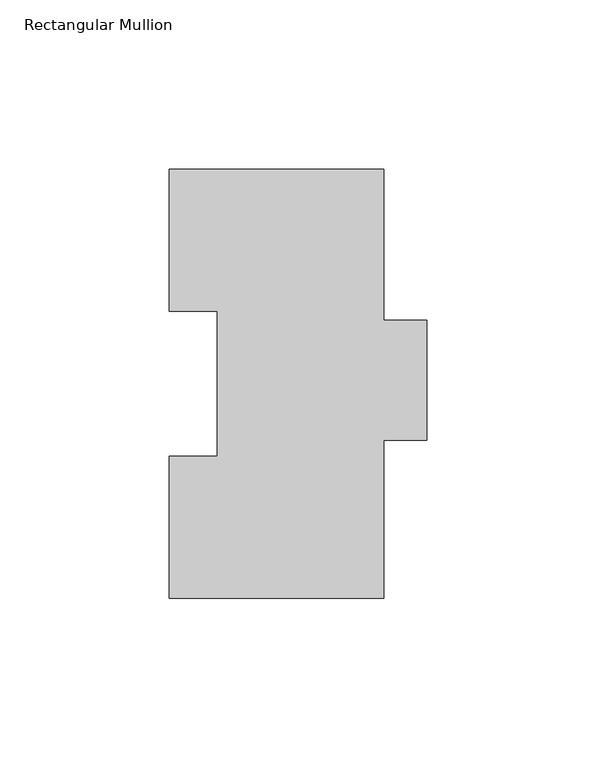
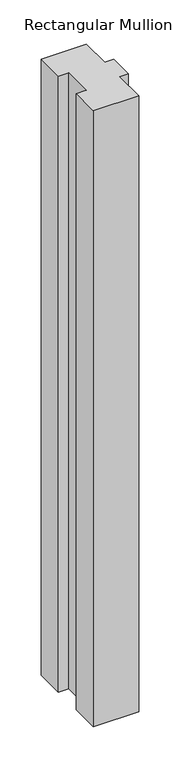
"""IFC4 building model written with IfcOpenShell, lengths in millimetres: member geometry, Rectangular Mullion."""

from ifc_helpers import new_model, si_unit, frame, origin, place, context, project, spatial, polyline, outline, extrude, source, transform, mapped, element, save


def rectangular_mullion_c5a954b7(model_context):
    return source(origin(), model_context, "Body", "SweptSolid", [
        extrude(outline(polyline([(31.7502713, 127.00635), (31.7502713, 82.30235), (44.4502713, 82.30235), (44.4502713, 46.8376), (31.7502713, 46.8376), (31.7502713, 0.00635), (-31.7494574, 0.00635), (-31.7494574, 42.08145), (-17.4619574, 42.08145), (-17.4619574, 84.93125), (-31.75, 84.93125), (-31.75, 127.00635), (31.7502713, 127.00635)])), frame((0.0, 0.0, -914.4), z_axis=(0.0, 0.0, 1.0), x_axis=(1.0, 0.0, 0.0)), (0.0, 0.0, 1.0), 914.4),
    ])


if __name__ == "__main__":
    model = new_model("IFC4")
    model_context = context("Model", 3, world=origin())
    ifc_project = project(units=[si_unit("LENGTHUNIT", "METRE", prefix="MILLI")], contexts=[model_context])
    site = spatial("IfcSite", under=ifc_project)
    building = spatial("IfcBuilding", under=site)
    placement = place(None, origin())
    rectangular_mullion_shape = rectangular_mullion_c5a954b7(model_context)
    element("IfcMember", 1, ObjectType="Rectangular Mullion", at=placement, inside=building, context=model_context, shape_type="MappedRepresentation", body=[
        mapped(rectangular_mullion_shape, transform((0.0, 0.0, 0.0), x_axis=(1.0, 0.0, 0.0), y_axis=(0.0, 1.0, 0.0), z_axis=(0.0, 0.0, 1.0))),
    ])
    save(model, "model.ifc")
